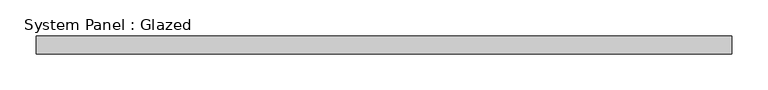
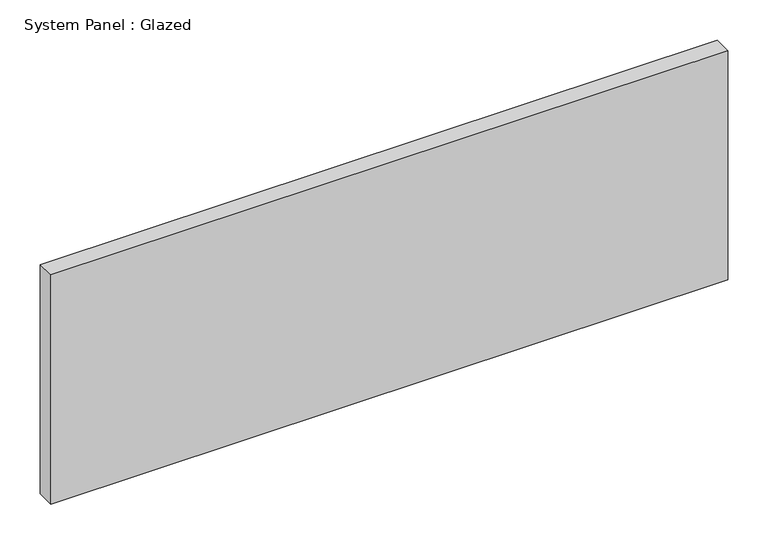
"""IFC4 building model written with IfcOpenShell, lengths in millimetres: plate geometry, System Panel : Glazed."""

from ifc_helpers import new_model, si_unit, origin, origin_with_axes, place, context, project, spatial, polyline, outline, extrude, source, transform, mapped, element, save


def system_panel_glazed_db694436(model_context):
    return source(origin(), model_context, "Body", "SweptSolid", [
        extrude(outline(polyline([(482.6, -44.45), (-482.6, -44.45), (-482.6, -19.05), (482.6, -19.05), (482.6, -44.45)])), origin_with_axes(), (0.0, 0.0, 1.0), 345.6214286),
    ])


if __name__ == "__main__":
    model = new_model("IFC4")
    model_context = context("Model", 3, world=origin())
    ifc_project = project(units=[si_unit("LENGTHUNIT", "METRE", prefix="MILLI")], contexts=[model_context])
    site = spatial("IfcSite", under=ifc_project)
    building = spatial("IfcBuilding", under=site)
    placement = place(None, origin())
    system_panel_glazed_shape = system_panel_glazed_db694436(model_context)
    element("IfcPlate", 1, ObjectType="System Panel : Glazed", at=placement, inside=building, context=model_context, shape_type="MappedRepresentation", body=[
        mapped(system_panel_glazed_shape, transform((0.0, 0.0, 0.0), x_axis=(1.0, 0.0, 0.0), y_axis=(0.0, 1.0, 0.0), z_axis=(0.0, 0.0, 1.0))),
    ])
    save(model, "model.ifc")
